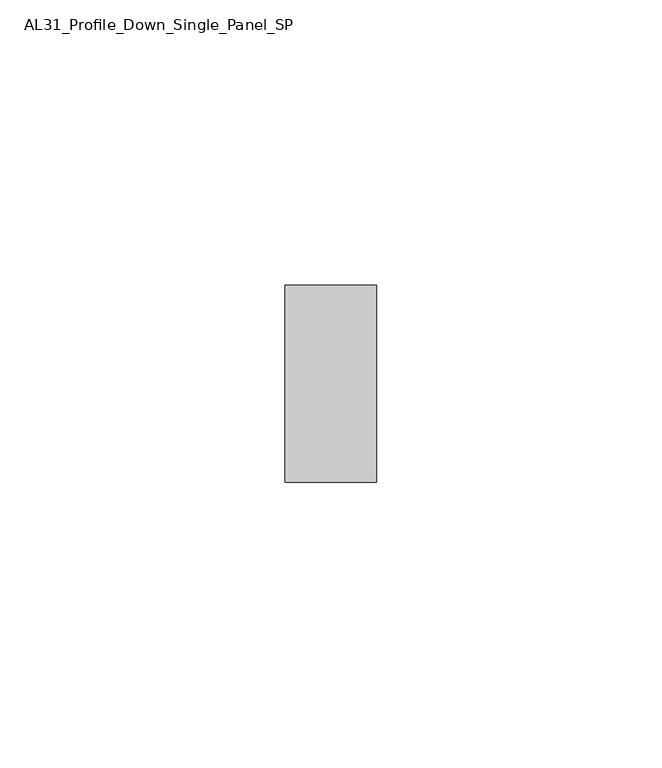
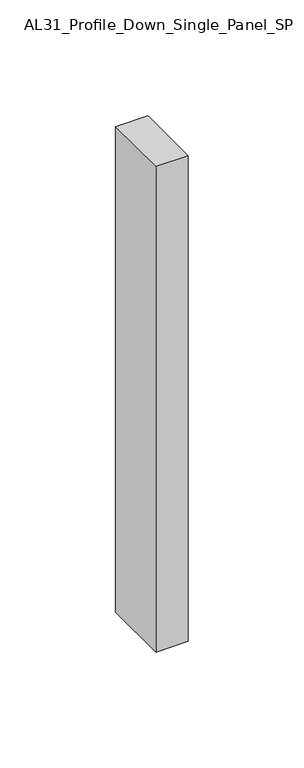
"""IFC4 building model written with IfcOpenShell, lengths in millimetres: member geometry, AL31_Profile_Down_Single_Panel_SP."""

from ifc_helpers import new_model, si_unit, frame, origin, place, context, project, spatial, polyline, outline, extrude, source, transform, mapped, element, save


def al31_profile_down_single_panel_sp_fe08bbca(model_context):
    return source(origin(), model_context, "Body", "SweptSolid", [
        extrude(outline(polyline([(0.0, -17.25), (-16.0, -17.25), (-16.0, 17.25), (0.0, 17.25), (0.0, -17.25)])), frame((0.0, 0.0, -255.5631359), z_axis=(0.0, 0.0, 1.0), x_axis=(1.0, 0.0, 0.0)), (0.0, 0.0, 1.0), 255.5631359),
    ])


if __name__ == "__main__":
    model = new_model("IFC4")
    model_context = context("Model", 3, world=origin())
    ifc_project = project(units=[si_unit("LENGTHUNIT", "METRE", prefix="MILLI")], contexts=[model_context])
    site = spatial("IfcSite", under=ifc_project)
    building = spatial("IfcBuilding", under=site)
    placement = place(None, origin())
    al31_profile_down_single_panel_sp_shape = al31_profile_down_single_panel_sp_fe08bbca(model_context)
    element("IfcMember", 1, ObjectType="AL31_Profile_Down_Single_Panel_SP", at=placement, inside=building, context=model_context, shape_type="MappedRepresentation", body=[
        mapped(al31_profile_down_single_panel_sp_shape, transform((0.0, 0.0, 0.0), x_axis=(1.0, 0.0, 0.0), y_axis=(0.0, 1.0, 0.0), z_axis=(0.0, 0.0, 1.0))),
    ])
    save(model, "model.ifc")
